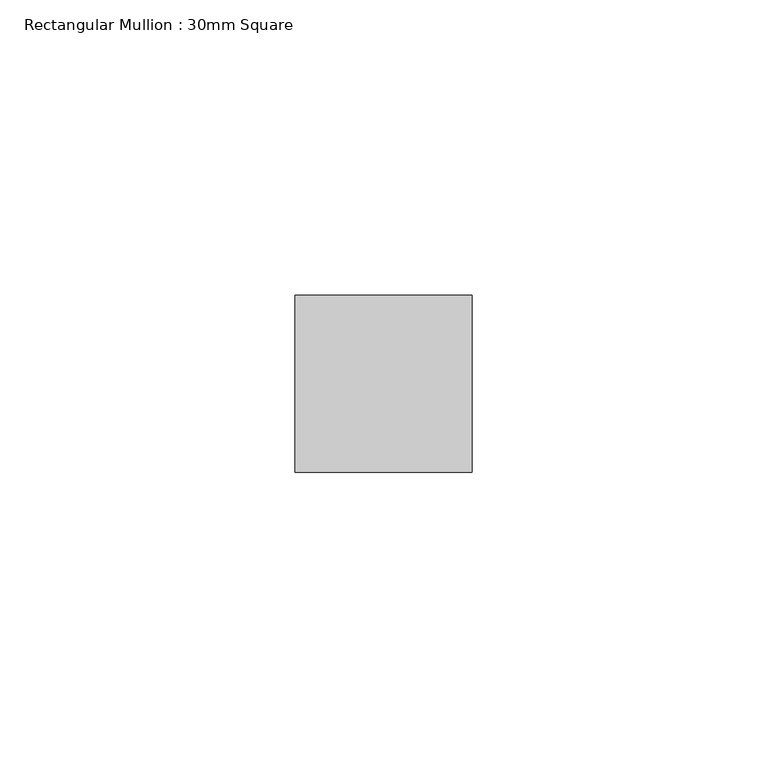
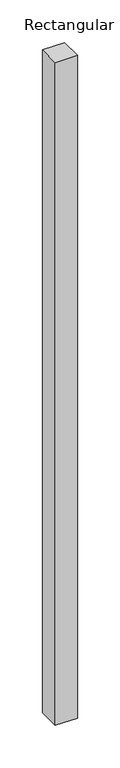
"""IFC4 building model written with IfcOpenShell, lengths in millimetres: member geometry, Rectangular Mullion : 30mm Square."""

from ifc_helpers import new_model, si_unit, frame, origin, place, context, project, spatial, polyline, outline, extrude, source, transform, mapped, element, save


def rectangular_mullion_30mm_square_7077a86f(model_context):
    return source(origin(), model_context, "Body", "SweptSolid", [
        extrude(outline(polyline([(0.0, 15.0), (0.0, -15.0), (-30.0, -15.0), (-30.0, 15.0), (0.0, 15.0)])), frame((0.0, 0.0, -948.5619948), z_axis=(0.0, 0.0, 1.0), x_axis=(1.0, 0.0, 0.0)), (0.0, 0.0, 1.0), 948.5619948),
    ])


if __name__ == "__main__":
    model = new_model("IFC4")
    model_context = context("Model", 3, world=origin())
    ifc_project = project(units=[si_unit("LENGTHUNIT", "METRE", prefix="MILLI")], contexts=[model_context])
    site = spatial("IfcSite", under=ifc_project)
    building = spatial("IfcBuilding", under=site)
    placement = place(None, origin())
    rectangular_mullion_30mm_square_shape = rectangular_mullion_30mm_square_7077a86f(model_context)
    element("IfcMember", 1, ObjectType="Rectangular Mullion : 30mm Square", at=placement, inside=building, context=model_context, shape_type="MappedRepresentation", body=[
        mapped(rectangular_mullion_30mm_square_shape, transform((0.0, 0.0, 0.0), x_axis=(1.0, 0.0, 0.0), y_axis=(0.0, 1.0, 0.0), z_axis=(0.0, 0.0, 1.0))),
    ])
    save(model, "model.ifc")
